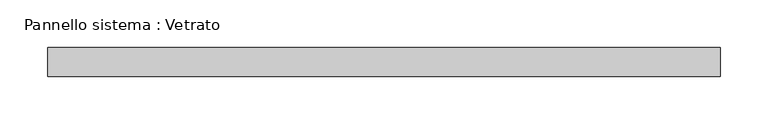
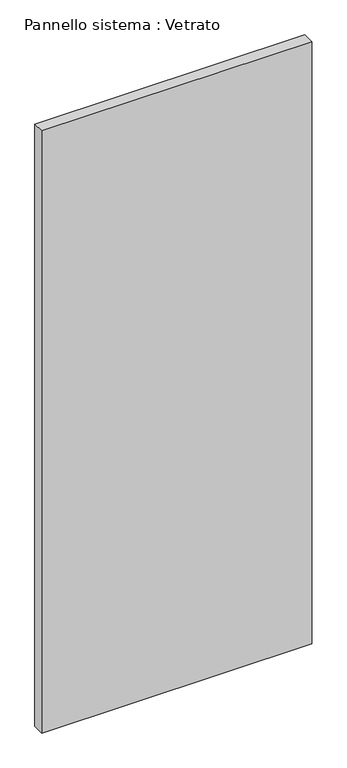
"""IFC4 building model written with IfcOpenShell, lengths in millimetres: plate geometry, Pannello sistema : Vetrato."""

from ifc_helpers import new_model, si_unit, origin, origin_with_axes, place, context, project, spatial, polyline, outline, extrude, source, transform, mapped, element, save


def pannello_sistema_vetrato_ee782857(model_context):
    return source(origin(), model_context, "Body", "SweptSolid", [
        extrude(outline(polyline([(350.0000459, -15.0), (-350.0000459, -15.0), (-350.0000459, 15.0), (350.0000459, 15.0), (350.0000459, -15.0)])), origin_with_axes(), (0.0, 0.0, 1.0), 1650.0),
    ])


if __name__ == "__main__":
    model = new_model("IFC4")
    model_context = context("Model", 3, world=origin())
    ifc_project = project(units=[si_unit("LENGTHUNIT", "METRE", prefix="MILLI")], contexts=[model_context])
    site = spatial("IfcSite", under=ifc_project)
    building = spatial("IfcBuilding", under=site)
    placement = place(None, origin())
    pannello_sistema_vetrato_shape = pannello_sistema_vetrato_ee782857(model_context)
    element("IfcPlate", 1, ObjectType="Pannello sistema : Vetrato", at=placement, inside=building, context=model_context, shape_type="MappedRepresentation", body=[
        mapped(pannello_sistema_vetrato_shape, transform((0.0, 0.0, 0.0), x_axis=(1.0, 0.0, 0.0), y_axis=(0.0, 1.0, 0.0), z_axis=(0.0, 0.0, 1.0))),
    ])
    save(model, "model.ifc")
